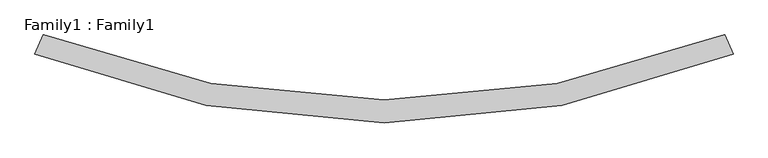
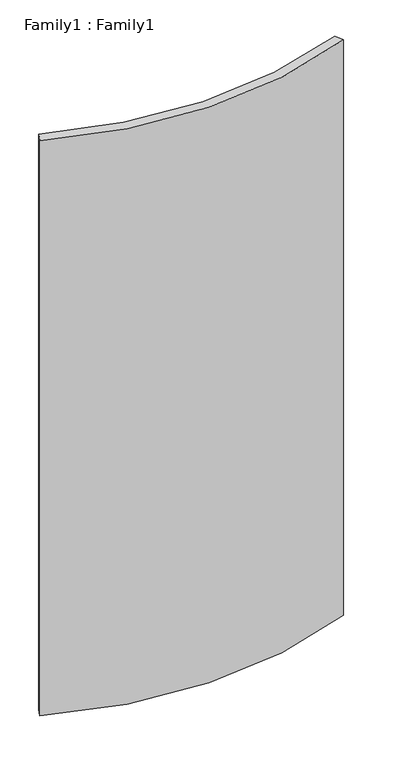
"""IFC4 building model written with IfcOpenShell, lengths in millimetres: plate geometry, Family1 : Family1."""

from ifc_helpers import new_model, si_unit, point, frame_2d, origin, origin_with_axes, place, context, project, spatial, polyline, circle_curve, trimmed, segment, composite_curve, outline, extrude, source, transform, mapped, element, save


def family1_family1_c0b05a71(model_context):
    return source(origin(), model_context, "Body", "SweptSolid", [
        extrude(outline(composite_curve([segment(trimmed(circle_curve(frame_2d((0.0, 2034.9606768)), 2007.4087226), [point((762.0, 177.8))], [point((-762.0, 177.8))], False, "CARTESIAN"), True, "CONTINUOUS"), segment(polyline([(-762.0, 177.8), (-743.4294529, 220.3926883)]), True, "CONTINUOUS"), segment(trimmed(circle_curve(frame_2d((0.0, 2085.7606768)), 2008.05505), [point((-743.4294529, 220.3926883))], [point((743.4294529, 220.3926883))], True, "CARTESIAN"), True, "CONTINUOUS"), segment(polyline([(743.4294529, 220.3926883), (762.0, 177.8)]), True, "CONTINUOUS")], self_intersect=False)), origin_with_axes(), (0.0, 0.0, 1.0), 3048.0),
    ])


if __name__ == "__main__":
    model = new_model("IFC4")
    model_context = context("Model", 3, world=origin())
    ifc_project = project(units=[si_unit("LENGTHUNIT", "METRE", prefix="MILLI")], contexts=[model_context])
    site = spatial("IfcSite", under=ifc_project)
    building = spatial("IfcBuilding", under=site)
    placement = place(None, origin())
    family1_family1_shape = family1_family1_c0b05a71(model_context)
    element("IfcPlate", 1, ObjectType="Family1 : Family1", at=placement, inside=building, context=model_context, shape_type="MappedRepresentation", body=[
        mapped(family1_family1_shape, transform((0.0, 0.0, 0.0), x_axis=(1.0, 0.0, 0.0), y_axis=(0.0, 1.0, 0.0), z_axis=(0.0, 0.0, 1.0))),
    ])
    save(model, "model.ifc")
